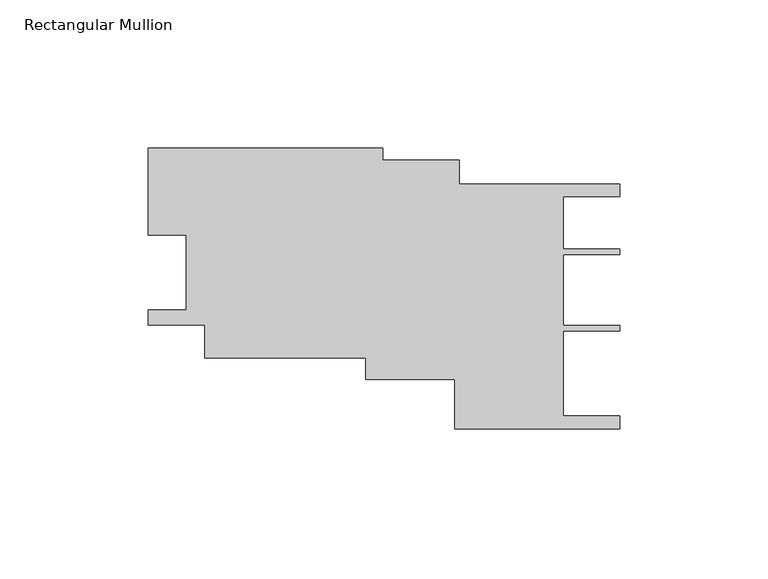
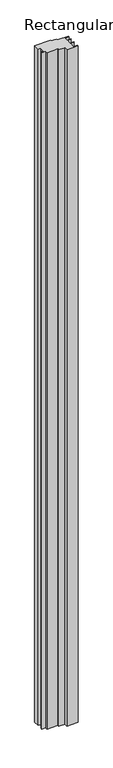
"""IFC4 building model written with IfcOpenShell, lengths in millimetres: member geometry, Rectangular Mullion."""

from ifc_helpers import new_model, si_unit, frame, origin, place, context, project, spatial, polyline, outline, extrude, source, transform, mapped, element, save


def rectangular_mullion_6497b119(model_context):
    return source(origin(), model_context, "Body", "SweptSolid", [
        extrude(outline(polyline([(-146.0658829, 17.4896933), (-158.7659591, 17.4896933), (-158.7569436, 46.8018915), (-79.8621898, 46.8018915), (-79.8621898, 42.7828007), (-53.9848115, 42.7828007), (-53.9848115, 34.782488), (0.0, 34.782488), (0.0, 30.4643127), (-19.0507734, 30.4643127), (-19.0507734, 12.7567863), (-0.0076677, 12.7567863), (-0.0076677, 10.9787141), (-19.0156615, 10.9787141), (-19.0156615, -13.0252066), (-0.0076677, -13.0252066), (-0.0076677, -14.8032788), (-19.0507734, -14.8032788), (-19.0507734, -43.4526065), (0.0, -43.4526065), (0.0, -47.7707818), (-55.5647582, -47.7707818), (-55.5647582, -31.1350445), (-85.4982927, -31.1350445), (-85.4982927, -23.8949634), (-139.7166411, -23.8949634), (-139.7166411, -12.8709159), (-158.7674145, -12.8709159), (-158.7674145, -7.6637045), (-146.0658829, -7.6637045), (-146.0658829, 17.4896933)])), frame((0.0, 0.0, -3516.3171877), z_axis=(0.0, 0.0, 1.0), x_axis=(1.0, 0.0, 0.0)), (0.0, 0.0, 1.0), 3516.3171877),
    ])


if __name__ == "__main__":
    model = new_model("IFC4")
    model_context = context("Model", 3, world=origin())
    ifc_project = project(units=[si_unit("LENGTHUNIT", "METRE", prefix="MILLI")], contexts=[model_context])
    site = spatial("IfcSite", under=ifc_project)
    building = spatial("IfcBuilding", under=site)
    placement = place(None, origin())
    rectangular_mullion_shape = rectangular_mullion_6497b119(model_context)
    element("IfcMember", 1, ObjectType="Rectangular Mullion", at=placement, inside=building, context=model_context, shape_type="MappedRepresentation", body=[
        mapped(rectangular_mullion_shape, transform((0.0, 0.0, 0.0), x_axis=(1.0, 0.0, 0.0), y_axis=(0.0, 1.0, 0.0), z_axis=(0.0, 0.0, 1.0))),
    ])
    save(model, "model.ifc")
